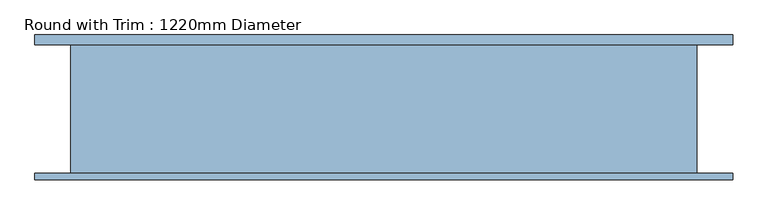
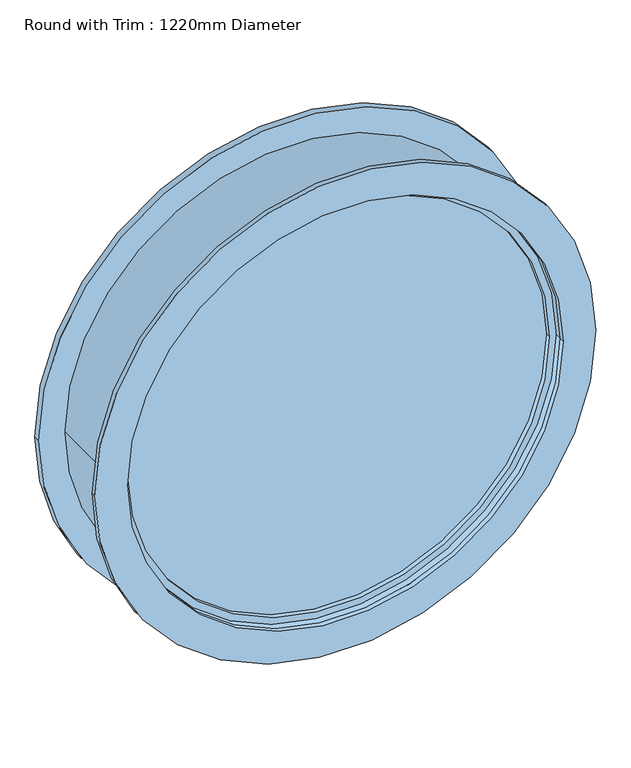
"""IFC4 building model written with IfcOpenShell, lengths in millimetres: window geometry, Round with Trim : 1220mm Diameter."""

from ifc_helpers import new_model, si_unit, point, frame, frame_2d, origin, place, context, project, spatial, circle_curve, trimmed, segment, composite_curve, outline, extrude, source, transform, mapped, element, save


def round_with_trim_1220mm_diameter_a074f440(model_context):
    return source(origin(), model_context, "Body", "SweptSolid", [
        extrude(outline(composite_curve([segment(trimmed(circle_curve(frame_2d((1220.0, 152.8)), 679.95), [point((1220.0, -527.15))], [point((1220.0, 832.75))], False, "CARTESIAN"), True, "CONTINUOUS"), segment(trimmed(circle_curve(frame_2d((1220.0, 152.8)), 679.95), [point((1220.0, 832.75))], [point((1220.0, -527.15))], False, "CARTESIAN"), True, "CONTINUOUS")], self_intersect=False), holes=[composite_curve([segment(trimmed(circle_curve(frame_2d((1220.0, 152.8)), 590.95), [point((1220.0, -438.15))], [point((1220.0, 743.75))], True, "CARTESIAN"), True, "CONTINUOUS"), segment(trimmed(circle_curve(frame_2d((1220.0, 152.8)), 590.95), [point((1220.0, 743.75))], [point((1220.0, -438.15))], True, "CARTESIAN"), True, "CONTINUOUS")], self_intersect=False)]), frame((0.0, 125.0, 0.0), z_axis=(0.0, 1.0, 0.0), x_axis=(0.0, 0.0, 1.0)), (0.0, 0.0, 1.0), 19.0),
        extrude(outline(composite_curve([segment(trimmed(circle_curve(frame_2d((1220.0, 152.8)), 679.95), [point((1220.0, -527.15))], [point((1220.0, 832.75))], False, "CARTESIAN"), True, "CONTINUOUS"), segment(trimmed(circle_curve(frame_2d((1220.0, 152.8)), 679.95), [point((1220.0, 832.75))], [point((1220.0, -527.15))], False, "CARTESIAN"), True, "CONTINUOUS")], self_intersect=False), holes=[composite_curve([segment(trimmed(circle_curve(frame_2d((1220.0, 152.8)), 590.95), [point((1220.0, -438.15))], [point((1220.0, 743.75))], True, "CARTESIAN"), True, "CONTINUOUS"), segment(trimmed(circle_curve(frame_2d((1220.0, 152.8)), 590.95), [point((1220.0, 743.75))], [point((1220.0, -438.15))], True, "CARTESIAN"), True, "CONTINUOUS")], self_intersect=False)]), frame((0.0, -138.0, 0.0), z_axis=(0.0, 1.0, 0.0), x_axis=(0.0, 0.0, 1.0)), (0.0, 0.0, 1.0), 13.0),
        extrude(outline(composite_curve([segment(trimmed(circle_curve(frame_2d((1220.0, 152.8)), 610.0), [point((1220.0, -457.2))], [point((1220.0, 762.8))], False, "CARTESIAN"), True, "CONTINUOUS"), segment(trimmed(circle_curve(frame_2d((1220.0, 152.8)), 610.0), [point((1220.0, 762.8))], [point((1220.0, -457.2))], False, "CARTESIAN"), True, "CONTINUOUS")], self_intersect=False), holes=[composite_curve([segment(trimmed(circle_curve(frame_2d((1220.0, 152.8)), 590.95), [point((1220.0, -438.15))], [point((1220.0, 743.75))], True, "CARTESIAN"), True, "CONTINUOUS"), segment(trimmed(circle_curve(frame_2d((1220.0, 152.8)), 590.95), [point((1220.0, 743.75))], [point((1220.0, -438.15))], True, "CARTESIAN"), True, "CONTINUOUS")], self_intersect=False)]), frame((0.0, -125.0, 0.0), z_axis=(0.0, 1.0, 0.0), x_axis=(0.0, 0.0, 1.0)), (0.0, 0.0, 1.0), 250.0),
        extrude(outline(composite_curve([segment(trimmed(circle_curve(frame_2d((1220.0, 152.8)), 590.95), [point((1220.0, -438.15))], [point((1220.0, 743.75))], False, "CARTESIAN"), True, "CONTINUOUS"), segment(trimmed(circle_curve(frame_2d((1220.0, 152.8)), 590.95), [point((1220.0, 743.75))], [point((1220.0, -438.15))], False, "CARTESIAN"), True, "CONTINUOUS")], self_intersect=False), holes=[composite_curve([segment(trimmed(circle_curve(frame_2d((1220.0, 152.8)), 571.9), [point((1220.0, -419.1))], [point((1220.0, 724.7))], True, "CARTESIAN"), True, "CONTINUOUS"), segment(trimmed(circle_curve(frame_2d((1220.0, 152.8)), 571.9), [point((1220.0, 724.7))], [point((1220.0, -419.1))], True, "CARTESIAN"), True, "CONTINUOUS")], self_intersect=False)]), frame((0.0, -106.0, 0.0), z_axis=(0.0, 1.0, 0.0), x_axis=(0.0, 0.0, 1.0)), (0.0, 0.0, 1.0), 50.8),
        extrude(outline(composite_curve([segment(trimmed(circle_curve(frame_2d((1220.0, 152.8)), 571.9), [point((1220.0, -419.1))], [point((1220.0, 724.7))], False, "CARTESIAN"), True, "CONTINUOUS"), segment(trimmed(circle_curve(frame_2d((1220.0, 152.8)), 571.9), [point((1220.0, 724.7))], [point((1220.0, -419.1))], False, "CARTESIAN"), True, "CONTINUOUS")], self_intersect=False)), frame((0.0, -93.3, 0.0), z_axis=(0.0, 1.0, 0.0), x_axis=(0.0, 0.0, 1.0)), (0.0, 0.0, 1.0), 12.7),
    ])


if __name__ == "__main__":
    model = new_model("IFC4")
    model_context = context("Model", 3, world=origin())
    ifc_project = project(units=[si_unit("LENGTHUNIT", "METRE", prefix="MILLI")], contexts=[model_context])
    site = spatial("IfcSite", under=ifc_project)
    building = spatial("IfcBuilding", under=site)
    placement = place(None, origin())
    round_with_trim_1220mm_diameter_shape = round_with_trim_1220mm_diameter_a074f440(model_context)
    element("IfcWindow", 1, ObjectType="Round with Trim : 1220mm Diameter", at=placement, inside=building, context=model_context, shape_type="MappedRepresentation", body=[
        mapped(round_with_trim_1220mm_diameter_shape, transform((0.0, 0.0, 0.0), x_axis=(1.0, 0.0, 0.0), y_axis=(0.0, 1.0, 0.0), z_axis=(0.0, 0.0, 1.0))),
    ])
    save(model, "model.ifc")
